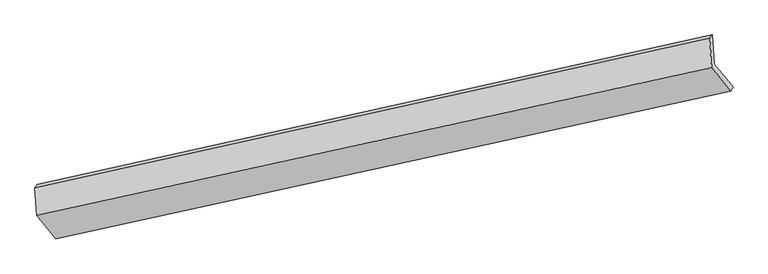
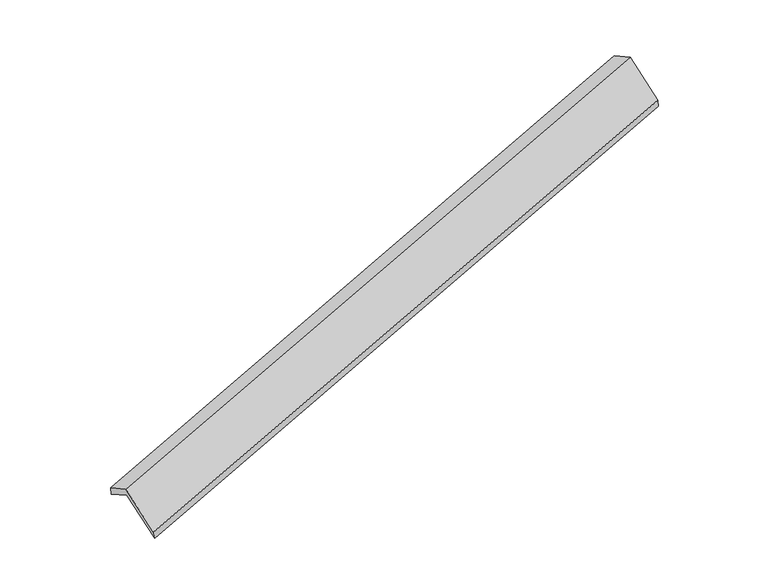
"""IFC4 building model written with IfcOpenShell, lengths in millimetres: proxy geometry."""

from ifc_helpers import new_model, si_unit, frame, origin, place, context, project, spatial, source, transform, mapped, element, save
from ifc_brep_helpers import plane_surface, spline_surface, advanced_brep


def generic_models_9aebb5fc(model_context):
    return source(origin(), model_context, "Body", "AdvancedBrep", [
        advanced_brep(
        [(-7526.7994462, -2534.8733013, 725.8120977), (-7550.0575635, -2137.9080091, 514.4436995), (1657.6134411, -92.063032, 3332.8626348), (1680.8715585, -489.0283242, 3544.2310331), (-7583.7414028, -2183.3742749, 657.9651835), (1623.9296018, -137.5292977, 3476.3841189), (-7561.6593655, -2560.2664476, 858.6454354), (1647.5610369, -540.8663081, 3691.1452063), (-7301.5322343, -2877.3228383, 234.5670433), (1907.6881681, -857.9226988, 3067.0668142), (-7266.8879805, -2851.6668278, 102.2511148), (1940.7830242, -805.8218506, 2920.6700502)],
        [
            (0, 1),
            (1, 2),
            (2, 3),
            (3, 0),
            (1, 4),
            (4, 5),
            (5, 2),
            (4, 6),
            (6, 7),
            (7, 5),
            (6, 8),
            (8, 9),
            (9, 7),
            (8, 10),
            (10, 11),
            (11, 9),
            (10, 0),
            (3, 11),
        ],
        [
            plane_surface(frame((-7538.4285049, -2336.3906552, 620.1278986), z_axis=(0.3499144631953652, -0.42422149611465493, -0.835222120564909), x_axis=(-0.051646592242674816, 0.8814945883443247, -0.4693611831302078))),
            plane_surface(frame((-7566.8994832, -2160.641142, 586.2044415), z_axis=(-0.2777131489878657, 0.9326559571733465, 0.2302786842682421), x_axis=(-0.21833898892973663, -0.2947127970253852, 0.930307719618952))),
            plane_surface(frame((-7572.7003842, -2371.8203612, 758.3053095), z_axis=(-0.3499144631953686, 0.42422149611470406, 0.8352221205648825), x_axis=(0.051646592242788496, -0.8814945883442714, 0.4693611831302953))),
            plane_surface(frame((-7431.5957999, -2718.7946429, 546.6062394), z_axis=(0.04926955678786171, -0.8820165588478797, 0.4686355734385436), x_axis=(0.3483365664981593, -0.42457060904019484, -0.8357041548176674))),
            spline_surface(1, 1, [[(-7301.5322343, -2877.3228383, 234.5670433), (1907.6881681, -857.9226988, 3067.0668142)], [(-7266.8879805, -2851.6668278, 102.2511148), (1940.7830242, -805.8218506, 2920.6700502)]], [2, 2], [2, 2], [0.0, 1.0], [0.0, 1.0]),
            plane_surface(frame((-7396.8437133, -2693.2700645, 414.0316063), z_axis=(-0.05212196083522312, 0.8813895117196212, -0.4695059422726608), x_axis=(-0.3483365664981525, 0.42457060904011934, 0.8357041548177084))),
            plane_surface(frame((1743.0744718, -487.2052519, 3338.7266429), z_axis=(0.9359456533100672, 0.20665693469836233, 0.2851291731673008), x_axis=(0.208305388619381, 0.327932758012691, -0.9214493861815302))),
            plane_surface(frame((-7465.1129988, -2524.2352832, 515.6140957), z_axis=(-0.9359456533100579, -0.20665693469848354, -0.2851291731672432), x_axis=(0.34833656649815975, -0.4245706090401369, -0.8357041548176966))),
        ],
        [
            (0, [[1, 2, 3, 4]]),
            (1, [[5, 6, 7, -2]]),
            (2, [[8, 9, 10, -6]]),
            (3, [[11, 12, 13, -9]]),
            (4, [[14, 15, 16, -12]]),
            (5, [[17, -4, 18, -15]]),
            (6, [[-16, -18, -3, -7, -10, -13]]),
            (7, [[-17, -14, -11, -8, -5, -1]]),
        ],
    ),
    ])


if __name__ == "__main__":
    model = new_model("IFC4")
    model_context = context("Model", 3, world=origin())
    ifc_project = project(units=[si_unit("LENGTHUNIT", "METRE", prefix="MILLI")], contexts=[model_context])
    site = spatial("IfcSite", under=ifc_project)
    building = spatial("IfcBuilding", under=site)
    placement = place(None, origin())
    generic_models_shape = generic_models_9aebb5fc(model_context)
    element("IfcBuildingElementProxy", 1, Name="Generic Models", at=placement, inside=building, context=model_context, shape_type="MappedRepresentation", body=[
        mapped(generic_models_shape, transform((0.0, 0.0, 0.0), x_axis=(1.0, 0.0, 0.0), y_axis=(0.0, 1.0, 0.0), z_axis=(0.0, 0.0, 1.0))),
    ])
    save(model, "model.ifc")
